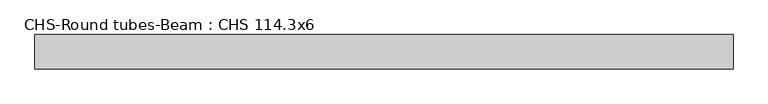
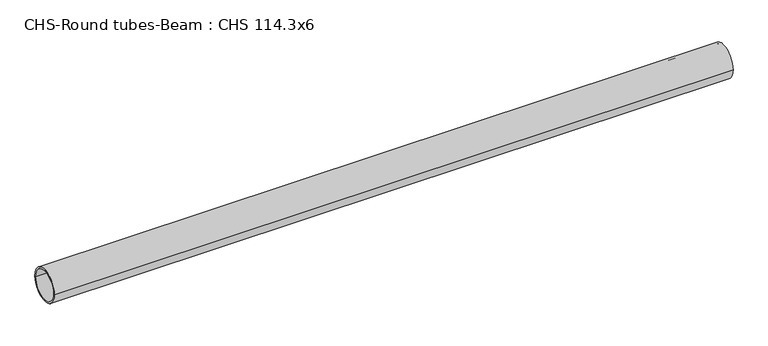
"""IFC4 building model written with IfcOpenShell, lengths in millimetres: beam geometry, CHS-Round tubes-Beam : CHS 114.3x6."""

from ifc_helpers import new_model, si_unit, point, frame, origin, origin_2d, place, context, project, spatial, circle_curve, trimmed, segment, composite_curve, outline, extrude, source, transform, mapped, element, save


def chs_round_tubes_beam_chs_114_3x6_0b0c65ca(model_context):
    return source(origin(), model_context, "Body", "SweptSolid", [
        extrude(outline(composite_curve([segment(trimmed(circle_curve(origin_2d(), 57.15), [point((57.15, 0.0))], [point((-57.15, 0.0))], False, "CARTESIAN"), True, "CONTINUOUS"), segment(trimmed(circle_curve(origin_2d(), 57.15), [point((-57.15, 0.0))], [point((57.15, 0.0))], False, "CARTESIAN"), True, "CONTINUOUS")], self_intersect=False), holes=[composite_curve([segment(trimmed(circle_curve(origin_2d(), 51.15), [point((51.15, 0.0))], [point((-51.15, 0.0))], True, "CARTESIAN"), True, "CONTINUOUS"), segment(trimmed(circle_curve(origin_2d(), 51.15), [point((-51.15, 0.0))], [point((51.15, 0.0))], True, "CARTESIAN"), True, "CONTINUOUS")], self_intersect=False)]), frame((-1030.5507297, 0.0, 0.0), z_axis=(1.0, 0.0, 0.0), x_axis=(0.0, 1.0, 0.0)), (0.0, 0.0, 1.0), 2314.1752703),
    ])


if __name__ == "__main__":
    model = new_model("IFC4")
    model_context = context("Model", 3, world=origin())
    ifc_project = project(units=[si_unit("LENGTHUNIT", "METRE", prefix="MILLI")], contexts=[model_context])
    site = spatial("IfcSite", under=ifc_project)
    building = spatial("IfcBuilding", under=site)
    placement = place(None, origin())
    chs_round_tubes_beam_chs_114_3x6_shape = chs_round_tubes_beam_chs_114_3x6_0b0c65ca(model_context)
    element("IfcBeam", 1, ObjectType="CHS-Round tubes-Beam : CHS 114.3x6", at=placement, inside=building, context=model_context, shape_type="MappedRepresentation", body=[
        mapped(chs_round_tubes_beam_chs_114_3x6_shape, transform((0.0, 0.0, 0.0), x_axis=(1.0, 0.0, 0.0), y_axis=(0.0, 1.0, 0.0), z_axis=(0.0, 0.0, 1.0))),
    ])
    save(model, "model.ifc")
